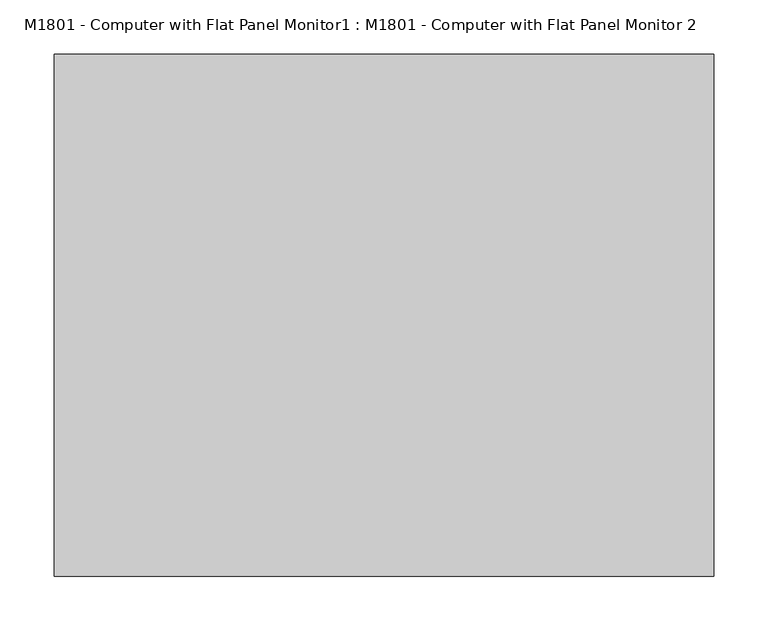
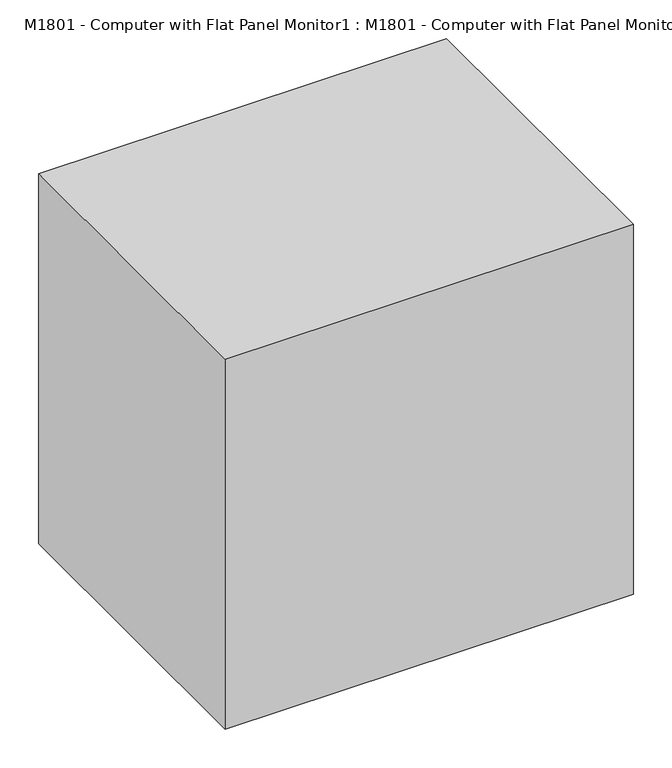
"""IFC4 building model written with IfcOpenShell, lengths in millimetres: proxy geometry, M1801 - Computer with Flat Panel Monitor1 : M1801 - Computer with Flat Panel Monitor 2."""

from ifc_helpers import new_model, si_unit, frame, origin, origin_with_axes, place, context, project, spatial, polyline, outline, extrude, faceted_brep, source, transform, mapped, element, save


def m1801_computer_with_flat_panel_monitor1_m1801_computer_with_cf90e1c8(model_context):
    return source(origin(), model_context, "Body", "SolidModel", [
        faceted_brep([(203.2, 133.2656905, 431.8), (-203.2, 133.2656905, 431.8), (-203.2, 82.6343095, 431.8), (203.2, 82.6343095, 431.8), (203.2, 133.2656905, 152.4), (203.2, 82.6343095, 152.4), (-203.2, 82.6343095, 152.4), (-203.2, 133.2656905, 152.4), (-190.5, 82.6343095, 419.1), (190.5, 82.6343095, 419.1), (190.5, 82.6343095, 165.1), (-190.5, 82.6343095, 165.1), (190.5, 87.4205119, 419.1), (-190.5, 87.4205119, 419.1), (190.5, 87.4205119, 165.1), (-190.5, 87.4205119, 165.1)], [[[0, 1, 2, 3]], [[4, 5, 6, 7]], [[1, 0, 4, 7]], [[2, 1, 7, 6]], [[3, 2, 6, 5], [8, 9, 10, 11]], [[0, 3, 5, 4]], [[12, 9, 8, 13]], [[14, 15, 11, 10]], [[12, 13, 15, 14]], [[13, 8, 11, 15]], [[9, 12, 14, 10]]]),
        faceted_brep([(109.1218395, 34.0676261, 25.4), (109.1218395, 34.0676261, 0.0), (109.1218395, 215.9, 0.0), (109.1218395, 215.9, 25.4), (-109.1218395, 215.9, 25.4), (-109.1218395, 215.9, 0.0), (-109.1218395, 34.0676261, 0.0), (-109.1218395, 34.0676261, 25.4), (36.9685686, 196.7656905, 31.75), (36.9685686, 196.7656905, 25.4), (-36.9685686, 196.7656905, 25.4), (-36.9685686, 196.7656905, 31.75), (36.9685686, 196.7656905, 292.1), (-36.9685686, 196.7656905, 292.1), (36.9685686, 133.2656905, 292.1), (-36.9685686, 133.2656905, 292.1), (36.9685686, 133.2656905, 241.3), (-36.9685686, 133.2656905, 241.3), (36.9685686, 171.3656905, 241.3), (-36.9685686, 171.3656905, 241.3), (36.9685686, 171.3656905, 25.4), (-36.9685686, 171.3656905, 25.4)], [[[0, 1, 2, 3]], [[4, 5, 6, 7]], [[8, 9, 10, 11]], [[12, 8, 11, 13]], [[14, 12, 13, 15]], [[16, 14, 15, 17]], [[18, 16, 17, 19]], [[20, 18, 19, 21]], [[0, 3, 4, 7], [9, 20, 21, 10]], [[1, 0, 7, 6]], [[2, 1, 6, 5]], [[3, 2, 5, 4]], [[20, 9, 8, 12, 14, 16, 18]], [[10, 21, 19, 17, 15, 13, 11]]]),
        extrude(outline(polyline([(-171.45, 0.0), (-171.45, 12.7), (-19.05, 25.4), (-19.05, 0.0), (-171.45, 0.0)])), frame((-203.2, 0.0, 0.0), z_axis=(1.0, 0.0, 0.0), x_axis=(0.0, 1.0, 0.0)), (0.0, 0.0, 1.0), 406.4),
        extrude(outline(polyline([(304.8, 241.3), (304.8, -241.3), (-304.8, -241.3), (-304.8, 241.3), (304.8, 241.3)])), origin_with_axes(), (0.0, 0.0, 1.0), 584.2),
    ])


if __name__ == "__main__":
    model = new_model("IFC4")
    model_context = context("Model", 3, world=origin())
    ifc_project = project(units=[si_unit("LENGTHUNIT", "METRE", prefix="MILLI")], contexts=[model_context])
    site = spatial("IfcSite", under=ifc_project)
    building = spatial("IfcBuilding", under=site)
    placement = place(None, origin())
    m1801_computer_with_flat_panel_monitor1_m1801_computer_with_shape = m1801_computer_with_flat_panel_monitor1_m1801_computer_with_cf90e1c8(model_context)
    element("IfcBuildingElementProxy", 1, Name="M1801 - Computer with Flat Panel Monitor1 : M1801 - Computer with Flat Panel Monitor 2", ObjectType="M1801 - Computer with Flat Panel Monitor1 : M1801 - Computer with Flat Panel Monitor 2", at=placement, inside=building, context=model_context, shape_type="MappedRepresentation", body=[
        mapped(m1801_computer_with_flat_panel_monitor1_m1801_computer_with_shape, transform((0.0, 0.0, 0.0), x_axis=(1.0, 0.0, 0.0), y_axis=(0.0, 1.0, 0.0), z_axis=(0.0, 0.0, 1.0))),
    ])
    save(model, "model.ifc")
